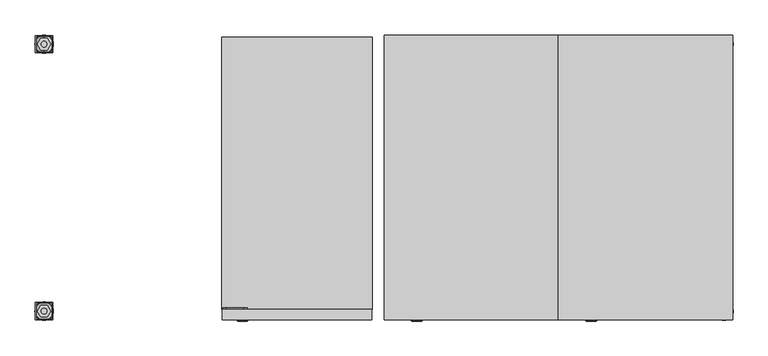
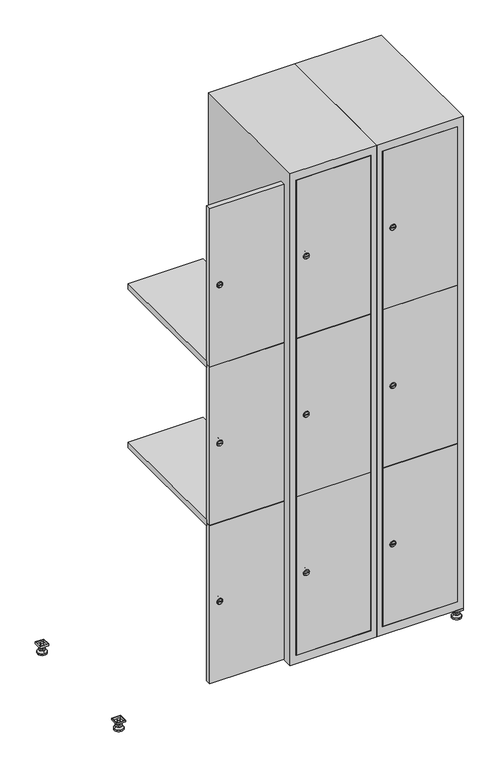
"""IFC4 building model written with IfcOpenShell, lengths in millimetres: furniture geometry."""

from ifc_helpers import new_model, si_unit, point, frame, frame_2d, origin, origin_with_axes, place, context, project, spatial, polyline, circle_curve, trimmed, segment, composite_curve, outline, extrude, faceted_brep, source, transform, mapped, element, save
from ifc_brep_helpers import plane_surface, revolved_surface, advanced_brep


def furniture_516825b2(model_context):
    return source(origin(), model_context, "Body", "SolidModel", [
        extrude(outline(polyline([(1000.0, 245.0), (1000.0, 215.0), (970.0, 215.0), (970.0, 245.0), (1000.0, 245.0)]), holes=[polyline([(998.0, 243.0), (972.0, 243.0), (972.0, 217.0), (998.0, 217.0), (998.0, 243.0)])]), frame((0.0, 0.0, 28.5), z_axis=(0.0, 0.0, 1.0), x_axis=(1.0, 0.0, 0.0)), (0.0, 0.0, 1.0), 6.5),
        extrude(outline(polyline([(970.0, -245.0), (970.0, -215.0), (1000.0, -215.0), (1000.0, -245.0), (970.0, -245.0)]), holes=[polyline([(972.0, -243.0), (998.0, -243.0), (998.0, -217.0), (972.0, -217.0), (972.0, -243.0)])]), frame((0.0, 0.0, 28.5), z_axis=(0.0, 0.0, 1.0), x_axis=(1.0, 0.0, 0.0)), (0.0, 0.0, 1.0), 6.5),
        extrude(outline(polyline([(-170.0, 245.0), (-170.0, 215.0), (-200.0, 215.0), (-200.0, 245.0), (-170.0, 245.0)]), holes=[polyline([(-172.0, 243.0), (-198.0, 243.0), (-198.0, 217.0), (-172.0, 217.0), (-172.0, 243.0)])]), frame((0.0, 0.0, 28.5), z_axis=(0.0, 0.0, 1.0), x_axis=(1.0, 0.0, 0.0)), (0.0, 0.0, 1.0), 6.5),
        extrude(outline(polyline([(-170.0, -215.0), (-170.0, -245.0), (-200.0, -245.0), (-200.0, -215.0), (-170.0, -215.0)]), holes=[polyline([(-198.0, -243.0), (-172.0, -243.0), (-172.0, -217.0), (-198.0, -217.0), (-198.0, -243.0)])]), frame((0.0, 0.0, 28.5), z_axis=(0.0, 0.0, 1.0), x_axis=(1.0, 0.0, 0.0)), (0.0, 0.0, 1.0), 6.5),
        extrude(outline(composite_curve([segment(trimmed(circle_curve(frame_2d((-185.0, 230.0)), 5.0), [point((-180.0, 230.0))], [point((-190.0, 230.0))], False, "CARTESIAN"), True, "CONTINUOUS"), segment(trimmed(circle_curve(frame_2d((-185.0, 230.0)), 5.0), [point((-190.0, 230.0))], [point((-180.0, 230.0))], False, "CARTESIAN"), True, "CONTINUOUS")], self_intersect=False)), frame((0.0, 0.0, 19.6), z_axis=(0.0, 0.0, 1.0), x_axis=(1.0, 0.0, 0.0)), (0.0, 0.0, 1.0), 15.4),
        extrude(outline(composite_curve([segment(trimmed(circle_curve(frame_2d((-185.0, -230.0)), 5.0), [point((-180.0, -230.0))], [point((-190.0, -230.0))], False, "CARTESIAN"), True, "CONTINUOUS"), segment(trimmed(circle_curve(frame_2d((-185.0, -230.0)), 5.0), [point((-190.0, -230.0))], [point((-180.0, -230.0))], False, "CARTESIAN"), True, "CONTINUOUS")], self_intersect=False)), frame((0.0, 0.0, 19.6), z_axis=(0.0, 0.0, 1.0), x_axis=(1.0, 0.0, 0.0)), (0.0, 0.0, 1.0), 15.4),
        extrude(outline(composite_curve([segment(trimmed(circle_curve(frame_2d((985.0, 230.0)), 5.0), [point((990.0, 230.0))], [point((980.0, 230.0))], False, "CARTESIAN"), True, "CONTINUOUS"), segment(trimmed(circle_curve(frame_2d((985.0, 230.0)), 5.0), [point((980.0, 230.0))], [point((990.0, 230.0))], False, "CARTESIAN"), True, "CONTINUOUS")], self_intersect=False)), frame((0.0, 0.0, 19.6), z_axis=(0.0, 0.0, 1.0), x_axis=(1.0, 0.0, 0.0)), (0.0, 0.0, 1.0), 15.4),
        extrude(outline(polyline([(973.4529946, 230.0), (979.2264973, 240.0), (990.7735027, 240.0), (996.5470054, 230.0), (990.7735027, 220.0), (979.2264973, 220.0), (973.4529946, 230.0)])), frame((0.0, 0.0, 13.6), z_axis=(0.0, 0.0, 1.0), x_axis=(1.0, 0.0, 0.0)), (0.0, 0.0, 1.0), 6.0),
        extrude(outline(composite_curve([segment(trimmed(circle_curve(frame_2d((985.0, -230.0)), 5.0), [point((990.0, -230.0))], [point((980.0, -230.0))], False, "CARTESIAN"), True, "CONTINUOUS"), segment(trimmed(circle_curve(frame_2d((985.0, -230.0)), 5.0), [point((980.0, -230.0))], [point((990.0, -230.0))], False, "CARTESIAN"), True, "CONTINUOUS")], self_intersect=False)), frame((0.0, 0.0, 19.6), z_axis=(0.0, 0.0, 1.0), x_axis=(1.0, 0.0, 0.0)), (0.0, 0.0, 1.0), 15.4),
        extrude(outline(polyline([(973.4529946, -230.0), (979.2264973, -220.0), (990.7735027, -220.0), (996.5470054, -230.0), (990.7735027, -240.0), (979.2264973, -240.0), (973.4529946, -230.0)])), frame((0.0, 0.0, 13.6), z_axis=(0.0, 0.0, 1.0), x_axis=(1.0, 0.0, 0.0)), (0.0, 0.0, 1.0), 6.0),
        extrude(outline(composite_curve([segment(trimmed(circle_curve(frame_2d((985.0, 230.0)), 5.0), [point((990.0, 230.0))], [point((980.0, 230.0))], False, "CARTESIAN"), True, "CONTINUOUS"), segment(trimmed(circle_curve(frame_2d((985.0, 230.0)), 5.0), [point((980.0, 230.0))], [point((990.0, 230.0))], False, "CARTESIAN"), True, "CONTINUOUS")], self_intersect=False)), frame((0.0, 0.0, 12.1), z_axis=(0.0, 0.0, 1.0), x_axis=(1.0, 0.0, 0.0)), (0.0, 0.0, 1.0), 1.5),
        extrude(outline(composite_curve([segment(trimmed(circle_curve(frame_2d((985.0, -230.0)), 5.0), [point((990.0, -230.0))], [point((980.0, -230.0))], False, "CARTESIAN"), True, "CONTINUOUS"), segment(trimmed(circle_curve(frame_2d((985.0, -230.0)), 5.0), [point((980.0, -230.0))], [point((990.0, -230.0))], False, "CARTESIAN"), True, "CONTINUOUS")], self_intersect=False)), frame((0.0, 0.0, 12.1), z_axis=(0.0, 0.0, 1.0), x_axis=(1.0, 0.0, 0.0)), (0.0, 0.0, 1.0), 1.5),
        extrude(outline(polyline([(-196.5470054, 230.0), (-190.7735027, 240.0), (-179.2264973, 240.0), (-173.4529946, 230.0), (-179.2264973, 220.0), (-190.7735027, 220.0), (-196.5470054, 230.0)])), frame((0.0, 0.0, 13.6), z_axis=(0.0, 0.0, 1.0), x_axis=(1.0, 0.0, 0.0)), (0.0, 0.0, 1.0), 6.0),
        extrude(outline(polyline([(-196.5470054, -230.0), (-190.7735027, -220.0), (-179.2264973, -220.0), (-173.4529946, -230.0), (-179.2264973, -240.0), (-190.7735027, -240.0), (-196.5470054, -230.0)])), frame((0.0, 0.0, 13.6), z_axis=(0.0, 0.0, 1.0), x_axis=(1.0, 0.0, 0.0)), (0.0, 0.0, 1.0), 6.0),
        extrude(outline(composite_curve([segment(trimmed(circle_curve(frame_2d((-185.0, 230.0)), 5.0), [point((-185.0, 235.0))], [point((-185.0, 225.0))], False, "CARTESIAN"), True, "CONTINUOUS"), segment(trimmed(circle_curve(frame_2d((-185.0, 230.0)), 5.0), [point((-185.0, 225.0))], [point((-185.0, 235.0))], False, "CARTESIAN"), True, "CONTINUOUS")], self_intersect=False)), frame((0.0, 0.0, 12.1), z_axis=(0.0, 0.0, 1.0), x_axis=(1.0, 0.0, 0.0)), (0.0, 0.0, 1.0), 1.5),
        extrude(outline(composite_curve([segment(trimmed(circle_curve(frame_2d((-185.0, -230.0)), 5.0), [point((-180.0, -230.0))], [point((-190.0, -230.0))], False, "CARTESIAN"), True, "CONTINUOUS"), segment(trimmed(circle_curve(frame_2d((-185.0, -230.0)), 5.0), [point((-190.0, -230.0))], [point((-180.0, -230.0))], False, "CARTESIAN"), True, "CONTINUOUS")], self_intersect=False)), frame((0.0, 0.0, 12.1), z_axis=(0.0, 0.0, 1.0), x_axis=(1.0, 0.0, 0.0)), (0.0, 0.0, 1.0), 1.5),
        extrude(outline(composite_curve([segment(trimmed(circle_curve(frame_2d((985.0, 230.0)), 15.75), [point((1000.75, 230.0))], [point((969.25, 230.0))], False, "CARTESIAN"), True, "CONTINUOUS"), segment(trimmed(circle_curve(frame_2d((985.0, 230.0)), 15.75), [point((969.25, 230.0))], [point((1000.75, 230.0))], False, "CARTESIAN"), True, "CONTINUOUS")], self_intersect=False)), origin_with_axes(), (0.0, 0.0, 1.0), 5.1),
        extrude(outline(composite_curve([segment(trimmed(circle_curve(frame_2d((985.0, -230.0)), 15.75), [point((985.0, -214.25))], [point((985.0, -245.75))], False, "CARTESIAN"), True, "CONTINUOUS"), segment(trimmed(circle_curve(frame_2d((985.0, -230.0)), 15.75), [point((985.0, -245.75))], [point((985.0, -214.25))], False, "CARTESIAN"), True, "CONTINUOUS")], self_intersect=False)), origin_with_axes(), (0.0, 0.0, 1.0), 5.1),
        extrude(outline(composite_curve([segment(trimmed(circle_curve(frame_2d((-185.0, -230.0)), 15.75), [point((-169.25, -230.0))], [point((-200.75, -230.0))], False, "CARTESIAN"), True, "CONTINUOUS"), segment(trimmed(circle_curve(frame_2d((-185.0, -230.0)), 15.75), [point((-200.75, -230.0))], [point((-169.25, -230.0))], False, "CARTESIAN"), True, "CONTINUOUS")], self_intersect=False)), origin_with_axes(), (0.0, 0.0, 1.0), 5.1),
        extrude(outline(composite_curve([segment(trimmed(circle_curve(frame_2d((-185.0, 230.0)), 15.75), [point((-169.25, 230.0))], [point((-200.75, 230.0))], False, "CARTESIAN"), True, "CONTINUOUS"), segment(trimmed(circle_curve(frame_2d((-185.0, 230.0)), 15.75), [point((-200.75, 230.0))], [point((-169.25, 230.0))], False, "CARTESIAN"), True, "CONTINUOUS")], self_intersect=False)), origin_with_axes(), (0.0, 0.0, 1.0), 5.1),
        advanced_brep(
        [(-185.0, 245.75, 5.1), (-185.0, 214.25, 5.1), (-185.0, 239.5, 12.1), (-185.0, 220.5, 12.1)],
        [
            (0, 1, circle_curve(frame((-185.0, 230.0, 5.1), z_axis=(0.0, 0.0, -1.0), x_axis=(0.0, 1.0, 0.0)), 15.75)),
            (1, 0, circle_curve(frame((-185.0, 230.0, 5.1), z_axis=(0.0, 0.0, -1.0), x_axis=(0.0, -1.0, 0.0)), 15.75)),
            (2, 3, circle_curve(frame((-185.0, 230.0, 12.1), z_axis=(0.0, 0.0, 1.0), x_axis=(0.0, -1.0, 0.0)), 9.5)),
            (3, 2, circle_curve(frame((-185.0, 230.0, 12.1), z_axis=(0.0, 0.0, 1.0), x_axis=(0.0, 1.0, 0.0)), 9.5)),
            (3, 1),
            (0, 2),
        ],
        [
            plane_surface(frame((-185.0, 230.0, 5.1), z_axis=(0.0, 0.0, -1.0), x_axis=(1.0, 0.0, 0.0))),
            plane_surface(frame((-185.0, 230.0, 12.1), z_axis=(0.0, 0.0, 1.0), x_axis=(1.0, 0.0, 0.0))),
            revolved_surface(polyline([(-185.0, 220.5, 12.099999999999998), (-185.0, 214.25, 5.099999999999998)]), (-185.0, 230.0, 22.74), (0.0, 0.0, -1.0)),
            revolved_surface(polyline([(-185.0, 239.5, 12.099999999999998), (-185.0, 245.75, 5.099999999999998)]), (-185.0, 230.0, 22.74), (0.0, 0.0, -1.0)),
        ],
        [
            (0, [[1, 2]]),
            (1, [[3, 4]]),
            (2, [[-4, 5, -1, 6]]),
            (3, [[-3, -6, -2, -5]]),
        ],
    ),
        advanced_brep(
        [(985.0, 245.75, 5.1), (985.0, 214.25, 5.1), (985.0, 239.5, 12.1), (985.0, 220.5, 12.1)],
        [
            (0, 1, circle_curve(frame((985.0, 230.0, 5.1), z_axis=(0.0, 0.0, -1.0), x_axis=(0.0, 1.0, 0.0)), 15.75)),
            (1, 0, circle_curve(frame((985.0, 230.0, 5.1), z_axis=(0.0, 0.0, -1.0), x_axis=(0.0, -1.0, 0.0)), 15.75)),
            (2, 3, circle_curve(frame((985.0, 230.0, 12.1), z_axis=(0.0, 0.0, 1.0), x_axis=(0.0, -1.0, 0.0)), 9.5)),
            (3, 2, circle_curve(frame((985.0, 230.0, 12.1), z_axis=(0.0, 0.0, 1.0), x_axis=(0.0, 1.0, 0.0)), 9.5)),
            (3, 1),
            (0, 2),
        ],
        [
            plane_surface(frame((985.0, 230.0, 5.1), z_axis=(0.0, 0.0, -1.0), x_axis=(1.0, 0.0, 0.0))),
            plane_surface(frame((985.0, 230.0, 12.1), z_axis=(0.0, 0.0, 1.0), x_axis=(1.0, 0.0, 0.0))),
            revolved_surface(polyline([(985.0, 220.5, 12.099999999999998), (985.0, 214.25, 5.099999999999998)]), (985.0, 230.0, 22.74), (0.0, 0.0, -1.0)),
            revolved_surface(polyline([(985.0, 239.5, 12.099999999999998), (985.0, 245.75, 5.099999999999998)]), (985.0, 230.0, 22.74), (0.0, 0.0, -1.0)),
        ],
        [
            (0, [[1, 2]]),
            (1, [[3, 4]]),
            (2, [[-4, 5, -1, 6]]),
            (3, [[-3, -6, -2, -5]]),
        ],
    ),
        advanced_brep(
        [(994.5, -230.0, 12.1), (975.5, -230.0, 12.1), (1000.75, -230.0, 5.1), (969.25, -230.0, 5.1)],
        [
            (0, 1, circle_curve(frame((985.0, -230.0, 12.1), z_axis=(0.0, 0.0, 1.0), x_axis=(1.0, 0.0, 0.0)), 9.5)),
            (1, 0, circle_curve(frame((985.0, -230.0, 12.1), z_axis=(0.0, 0.0, 1.0), x_axis=(-1.0, 0.0, 0.0)), 9.5)),
            (2, 3, circle_curve(frame((985.0, -230.0, 5.1), z_axis=(0.0, 0.0, -1.0), x_axis=(-1.0, 0.0, 0.0)), 15.75)),
            (3, 2, circle_curve(frame((985.0, -230.0, 5.1), z_axis=(0.0, 0.0, -1.0), x_axis=(1.0, 0.0, 0.0)), 15.75)),
            (3, 1),
            (0, 2),
        ],
        [
            plane_surface(frame((985.0, -230.0, 12.1), z_axis=(0.0, 0.0, 1.0), x_axis=(0.0, 1.0, 0.0))),
            plane_surface(frame((985.0, -230.0, 5.1), z_axis=(0.0, 0.0, -1.0), x_axis=(0.0, 1.0, 0.0))),
            revolved_surface(polyline([(994.5, -230.0, 12.099999999999998), (1000.75, -230.0, 5.099999999999998)]), (985.0, -230.0, 22.74), (0.0, 0.0, -1.0)),
            revolved_surface(polyline([(975.5, -230.0, 12.099999999999998), (969.25, -230.0, 5.099999999999998)]), (985.0, -230.0, 22.74), (0.0, 0.0, -1.0)),
        ],
        [
            (0, [[1, 2]]),
            (1, [[3, 4]]),
            (2, [[-4, 5, -1, 6]]),
            (3, [[-3, -6, -2, -5]]),
        ],
    ),
        advanced_brep(
        [(-175.5, -230.0, 12.1), (-194.5, -230.0, 12.1), (-169.25, -230.0, 5.1), (-200.75, -230.0, 5.1)],
        [
            (0, 1, circle_curve(frame((-185.0, -230.0, 12.1), z_axis=(0.0, 0.0, 1.0), x_axis=(1.0, 0.0, 0.0)), 9.5)),
            (1, 0, circle_curve(frame((-185.0, -230.0, 12.1), z_axis=(0.0, 0.0, 1.0), x_axis=(-1.0, 0.0, 0.0)), 9.5)),
            (2, 3, circle_curve(frame((-185.0, -230.0, 5.1), z_axis=(0.0, 0.0, -1.0), x_axis=(-1.0, 0.0, 0.0)), 15.75)),
            (3, 2, circle_curve(frame((-185.0, -230.0, 5.1), z_axis=(0.0, 0.0, -1.0), x_axis=(1.0, 0.0, 0.0)), 15.75)),
            (3, 1),
            (0, 2),
        ],
        [
            plane_surface(frame((-185.0, -230.0, 12.1), z_axis=(0.0, 0.0, 1.0), x_axis=(0.0, 1.0, 0.0))),
            plane_surface(frame((-185.0, -230.0, 5.1), z_axis=(0.0, 0.0, -1.0), x_axis=(0.0, 1.0, 0.0))),
            revolved_surface(polyline([(-175.5, -230.0, 12.099999999999998), (-169.25, -230.0, 5.099999999999998)]), (-185.0, -230.0, 22.74), (0.0, 0.0, -1.0)),
            revolved_surface(polyline([(-194.5, -230.0, 12.099999999999998), (-200.75, -230.0, 5.099999999999998)]), (-185.0, -230.0, 22.74), (0.0, 0.0, -1.0)),
        ],
        [
            (0, [[1, 2]]),
            (1, [[3, 4]]),
            (2, [[-4, 5, -1, 6]]),
            (3, [[-3, -6, -2, -5]]),
        ],
    ),
        extrude(outline(composite_curve([segment(trimmed(circle_curve(frame_2d((355.8, 729.6010534)), 7.0), [point((362.8, 729.6010534))], [point((348.8, 729.6010534))], False, "CARTESIAN"), True, "CONTINUOUS"), segment(polyline([(348.8, 729.6010534), (348.8, 757.6010534)]), True, "CONTINUOUS"), segment(trimmed(circle_curve(frame_2d((355.8, 757.6010534)), 7.0), [point((348.8, 757.6010534))], [point((362.8, 757.6010534))], False, "CARTESIAN"), True, "CONTINUOUS"), segment(polyline([(362.8, 757.6010534), (362.8, 729.6010534)]), True, "CONTINUOUS")], self_intersect=False)), frame((0.0, -227.0, 0.0), z_axis=(0.0, 1.0, 0.0), x_axis=(0.0, 0.0, 1.0)), (0.0, 0.0, 1.0), 2.0),
        advanced_brep(
        [(764.9, -247.2, 355.8), (747.9, -247.2, 355.8), (751.4, -247.2, 354.55), (751.4, -247.2, 357.05), (761.4, -247.2, 357.05), (761.4, -247.2, 354.55), (766.9, -245.0, 355.8), (745.9, -245.0, 355.8), (751.4, -245.0, 357.05), (751.4, -245.0, 354.55), (761.4, -245.0, 354.55), (761.4, -245.0, 357.05)],
        [
            (0, 1, circle_curve(frame((756.4, -247.2, 355.8), z_axis=(0.0, -1.0, 0.0), x_axis=(1.0, 0.0, 0.0)), 8.5)),
            (1, 0, circle_curve(frame((756.4, -247.2, 355.8), z_axis=(0.0, -1.0, 0.0), x_axis=(-1.0, 0.0, 0.0)), 8.5)),
            (2, 3),
            (3, 4),
            (4, 5),
            (5, 2),
            (6, 7, circle_curve(frame((756.4, -245.0, 355.8), z_axis=(0.0, 1.0, 0.0), x_axis=(-1.0, 0.0, 0.0)), 10.5)),
            (7, 6, circle_curve(frame((756.4, -245.0, 355.8), z_axis=(0.0, 1.0, 0.0), x_axis=(1.0, 0.0, 0.0)), 10.5)),
            (8, 9),
            (9, 10),
            (10, 11),
            (11, 8),
            (0, 6),
            (7, 1),
            (8, 3),
            (2, 9),
            (11, 4),
            (10, 5),
        ],
        [
            plane_surface(frame((756.4, -247.2, 355.8), z_axis=(0.0, -1.0, 0.0), x_axis=(0.0, 0.0, 1.0))),
            plane_surface(frame((756.4, -245.0, 355.8), z_axis=(0.0, 1.0, 0.0), x_axis=(0.0, 0.0, 1.0))),
            revolved_surface(polyline([(764.9, -247.2, 355.8), (766.9, -245.0, 355.8)]), (756.4, -256.55, 355.8), (0.0, 1.0, 0.0)),
            revolved_surface(polyline([(747.9, -247.2, 355.8), (745.9, -245.0, 355.8)]), (756.4, -256.55, 355.8), (0.0, 1.0, 0.0)),
            plane_surface(frame((751.4, -245.0, 354.55), z_axis=(1.0, 0.0, 0.0), x_axis=(0.0, -1.0, 0.0))),
            plane_surface(frame((751.4, -245.0, 357.05), z_axis=(0.0, 0.0, -1.0), x_axis=(0.0, -1.0, 0.0))),
            plane_surface(frame((761.4, -245.0, 357.05), z_axis=(-1.0, 0.0, 0.0), x_axis=(0.0, -1.0, 0.0))),
            plane_surface(frame((761.4, -245.0, 354.55), z_axis=(0.0, 0.0, 1.0), x_axis=(0.0, -1.0, 0.0))),
        ],
        [
            (0, [[1, 2], [3, 4, 5, 6]]),
            (1, [[7, 8], [9, 10, 11, 12]]),
            (2, [[-1, 13, -8, 14]]),
            (3, [[-2, -14, -7, -13]]),
            (4, [[15, -3, 16, -9]]),
            (5, [[-15, -12, 17, -4]]),
            (6, [[-17, -11, 18, -5]]),
            (7, [[-16, -6, -18, -10]]),
        ],
    ),
        extrude(outline(composite_curve([segment(trimmed(circle_curve(frame_2d((935.0, 729.6010534)), 7.0), [point((942.0, 729.6010534))], [point((928.0, 729.6010534))], False, "CARTESIAN"), True, "CONTINUOUS"), segment(polyline([(928.0, 729.6010534), (928.0, 757.6010534)]), True, "CONTINUOUS"), segment(trimmed(circle_curve(frame_2d((935.0, 757.6010534)), 7.0), [point((928.0, 757.6010534))], [point((942.0, 757.6010534))], False, "CARTESIAN"), True, "CONTINUOUS"), segment(polyline([(942.0, 757.6010534), (942.0, 729.6010534)]), True, "CONTINUOUS")], self_intersect=False)), frame((0.0, -227.0, 0.0), z_axis=(0.0, 1.0, 0.0), x_axis=(0.0, 0.0, 1.0)), (0.0, 0.0, 1.0), 2.0),
        advanced_brep(
        [(764.9, -247.2, 935.0), (747.9, -247.2, 935.0), (751.4, -247.2, 933.75), (751.4, -247.2, 936.25), (761.4, -247.2, 936.25), (761.4, -247.2, 933.75), (766.9, -245.0, 935.0), (745.9, -245.0, 935.0), (751.4, -245.0, 936.25), (751.4, -245.0, 933.75), (761.4, -245.0, 933.75), (761.4, -245.0, 936.25)],
        [
            (0, 1, circle_curve(frame((756.4, -247.2, 935.0), z_axis=(0.0, -1.0, 0.0), x_axis=(1.0, 0.0, 0.0)), 8.5)),
            (1, 0, circle_curve(frame((756.4, -247.2, 935.0), z_axis=(0.0, -1.0, 0.0), x_axis=(-1.0, 0.0, 0.0)), 8.5)),
            (2, 3),
            (3, 4),
            (4, 5),
            (5, 2),
            (6, 7, circle_curve(frame((756.4, -245.0, 935.0), z_axis=(0.0, 1.0, 0.0), x_axis=(-1.0, 0.0, 0.0)), 10.5)),
            (7, 6, circle_curve(frame((756.4, -245.0, 935.0), z_axis=(0.0, 1.0, 0.0), x_axis=(1.0, 0.0, 0.0)), 10.5)),
            (8, 9),
            (9, 10),
            (10, 11),
            (11, 8),
            (0, 6),
            (7, 1),
            (8, 3),
            (2, 9),
            (11, 4),
            (10, 5),
        ],
        [
            plane_surface(frame((756.4, -247.2, 935.0), z_axis=(0.0, -1.0, 0.0), x_axis=(0.0, 0.0, 1.0))),
            plane_surface(frame((756.4, -245.0, 935.0), z_axis=(0.0, 1.0, 0.0), x_axis=(0.0, 0.0, 1.0))),
            revolved_surface(polyline([(764.9, -247.2, 935.0), (766.9, -245.0, 935.0)]), (756.4, -256.55, 935.0), (0.0, 1.0, 0.0)),
            revolved_surface(polyline([(747.9, -247.2, 935.0), (745.9, -245.0, 935.0)]), (756.4, -256.55, 935.0), (0.0, 1.0, 0.0)),
            plane_surface(frame((751.4, -245.0, 933.75), z_axis=(1.0, 0.0, 0.0), x_axis=(0.0, -1.0, 0.0))),
            plane_surface(frame((751.4, -245.0, 936.25), z_axis=(0.0, 0.0, -1.0), x_axis=(0.0, -1.0, 0.0))),
            plane_surface(frame((761.4, -245.0, 936.25), z_axis=(-1.0, 0.0, 0.0), x_axis=(0.0, -1.0, 0.0))),
            plane_surface(frame((761.4, -245.0, 933.75), z_axis=(0.0, 0.0, 1.0), x_axis=(0.0, -1.0, 0.0))),
        ],
        [
            (0, [[1, 2], [3, 4, 5, 6]]),
            (1, [[7, 8], [9, 10, 11, 12]]),
            (2, [[-1, 13, -8, 14]]),
            (3, [[-2, -14, -7, -13]]),
            (4, [[15, -3, 16, -9]]),
            (5, [[-15, -12, 17, -4]]),
            (6, [[-17, -11, 18, -5]]),
            (7, [[-16, -6, -18, -10]]),
        ],
    ),
        extrude(outline(composite_curve([segment(trimmed(circle_curve(frame_2d((1514.2, 729.6010534)), 7.0), [point((1521.2, 729.6010534))], [point((1507.2, 729.6010534))], False, "CARTESIAN"), True, "CONTINUOUS"), segment(polyline([(1507.2, 729.6010534), (1507.2, 757.6010534)]), True, "CONTINUOUS"), segment(trimmed(circle_curve(frame_2d((1514.2, 757.6010534)), 7.0), [point((1507.2, 757.6010534))], [point((1521.2, 757.6010534))], False, "CARTESIAN"), True, "CONTINUOUS"), segment(polyline([(1521.2, 757.6010534), (1521.2, 729.6010534)]), True, "CONTINUOUS")], self_intersect=False)), frame((0.0, -227.0, 0.0), z_axis=(0.0, 1.0, 0.0), x_axis=(0.0, 0.0, 1.0)), (0.0, 0.0, 1.0), 2.0),
        advanced_brep(
        [(764.9, -247.2, 1514.2), (747.9, -247.2, 1514.2), (751.4, -247.2, 1512.95), (751.4, -247.2, 1515.45), (761.4, -247.2, 1515.45), (761.4, -247.2, 1512.95), (766.9, -245.0, 1514.2), (745.9, -245.0, 1514.2), (751.4, -245.0, 1515.45), (751.4, -245.0, 1512.95), (761.4, -245.0, 1512.95), (761.4, -245.0, 1515.45)],
        [
            (0, 1, circle_curve(frame((756.4, -247.2, 1514.2), z_axis=(0.0, -1.0, 0.0), x_axis=(1.0, 0.0, 0.0)), 8.5)),
            (1, 0, circle_curve(frame((756.4, -247.2, 1514.2), z_axis=(0.0, -1.0, 0.0), x_axis=(-1.0, 0.0, 0.0)), 8.5)),
            (2, 3),
            (3, 4),
            (4, 5),
            (5, 2),
            (6, 7, circle_curve(frame((756.4, -245.0, 1514.2), z_axis=(0.0, 1.0, 0.0), x_axis=(-1.0, 0.0, 0.0)), 10.5)),
            (7, 6, circle_curve(frame((756.4, -245.0, 1514.2), z_axis=(0.0, 1.0, 0.0), x_axis=(1.0, 0.0, 0.0)), 10.5)),
            (8, 9),
            (9, 10),
            (10, 11),
            (11, 8),
            (0, 6),
            (7, 1),
            (8, 3),
            (2, 9),
            (11, 4),
            (10, 5),
        ],
        [
            plane_surface(frame((756.4, -247.2, 1514.2), z_axis=(0.0, -1.0, 0.0), x_axis=(0.0, 0.0, 1.0))),
            plane_surface(frame((756.4, -245.0, 1514.2), z_axis=(0.0, 1.0, 0.0), x_axis=(0.0, 0.0, 1.0))),
            revolved_surface(polyline([(764.9, -247.2, 1514.2), (766.9, -245.0, 1514.2)]), (756.4, -256.55, 1514.2), (0.0, 1.0, 0.0)),
            revolved_surface(polyline([(747.9, -247.2, 1514.2), (745.9, -245.0, 1514.2)]), (756.4, -256.55, 1514.2), (0.0, 1.0, 0.0)),
            plane_surface(frame((751.4, -245.0, 1512.95), z_axis=(1.0, 0.0, 0.0), x_axis=(0.0, -1.0, 0.0))),
            plane_surface(frame((751.4, -245.0, 1515.45), z_axis=(0.0, 0.0, -1.0), x_axis=(0.0, -1.0, 0.0))),
            plane_surface(frame((761.4, -245.0, 1515.45), z_axis=(-1.0, 0.0, 0.0), x_axis=(0.0, -1.0, 0.0))),
            plane_surface(frame((761.4, -245.0, 1512.95), z_axis=(0.0, 0.0, 1.0), x_axis=(0.0, -1.0, 0.0))),
        ],
        [
            (0, [[1, 2], [3, 4, 5, 6]]),
            (1, [[7, 8], [9, 10, 11, 12]]),
            (2, [[-1, 13, -8, 14]]),
            (3, [[-2, -14, -7, -13]]),
            (4, [[15, -3, 16, -9]]),
            (5, [[-15, -12, 17, -4]]),
            (6, [[-17, -11, 18, -5]]),
            (7, [[-16, -6, -18, -10]]),
        ],
    ),
        extrude(outline(polyline([(978.6, -227.0), (978.6, -245.0), (721.4, -245.0), (721.4, -227.0), (978.6, -227.0)])), frame((0.0, 0.0, 645.9), z_axis=(0.0, 0.0, 1.0), x_axis=(1.0, 0.0, 0.0)), (0.0, 0.0, 1.0), 578.2),
        extrude(outline(polyline([(721.4, -245.0), (721.4, -227.0), (978.6, -227.0), (978.6, -245.0), (721.4, -245.0)])), frame((0.0, 0.0, 1225.1), z_axis=(0.0, 0.0, 1.0), x_axis=(1.0, 0.0, 0.0)), (0.0, 0.0, 1.0), 578.7),
        extrude(outline(polyline([(978.6, -227.0), (978.6, -245.0), (721.4, -245.0), (721.4, -227.0), (978.6, -227.0)])), frame((0.0, 0.0, 66.2), z_axis=(0.0, 0.0, 1.0), x_axis=(1.0, 0.0, 0.0)), (0.0, 0.0, 1.0), 578.7),
        extrude(outline(polyline([(979.6, 242.0), (979.6, -227.0), (720.4, -227.0), (720.4, 242.0), (979.6, 242.0)])), frame((0.0, 0.0, 1214.7333333), z_axis=(0.0, 0.0, 1.0), x_axis=(1.0, 0.0, 0.0)), (0.0, 0.0, 1.0), 20.4),
        extrude(outline(polyline([(720.4, 242.0), (979.6, 242.0), (979.6, -227.0), (720.4, -227.0), (720.4, 242.0)])), frame((0.0, 0.0, 634.8666667), z_axis=(0.0, 0.0, 1.0), x_axis=(1.0, 0.0, 0.0)), (0.0, 0.0, 1.0), 20.4),
        faceted_brep([(1000.0, -245.0, 35.0), (1000.0, -245.0, 1835.0), (700.0, -245.0, 1835.0), (700.0, -245.0, 35.0), (979.6, -245.0, 1804.8), (979.6, -245.0, 65.2), (720.4, -245.0, 65.2), (720.4, -245.0, 1804.8), (1000.0, 245.0, 35.0), (700.0, 245.0, 35.0), (1000.0, 245.0, 1835.0), (700.0, 245.0, 1835.0), (979.6, 242.0, 1804.8), (979.6, 242.0, 65.2), (700.0, 245.0, 1804.8), (720.4, 242.0, 1804.8), (720.4, 242.0, 65.2)], [[[0, 1, 2, 3], [4, 5, 6, 7]], [[8, 0, 3, 9]], [[1, 0, 8, 10]], [[1, 10, 11, 2]], [[4, 12, 13, 5]], [[9, 3, 2, 11, 14]], [[10, 8, 9, 14, 11]], [[12, 15, 16, 13]], [[15, 7, 6, 16]], [[4, 7, 15, 12]], [[6, 5, 13, 16]]]),
        extrude(outline(composite_curve([segment(trimmed(circle_curve(frame_2d((355.8, 429.6010534)), 7.0), [point((362.8, 429.6010534))], [point((348.8, 429.6010534))], False, "CARTESIAN"), True, "CONTINUOUS"), segment(polyline([(348.8, 429.6010534), (348.8, 457.6010534)]), True, "CONTINUOUS"), segment(trimmed(circle_curve(frame_2d((355.8, 457.6010534)), 7.0), [point((348.8, 457.6010534))], [point((362.8, 457.6010534))], False, "CARTESIAN"), True, "CONTINUOUS"), segment(polyline([(362.8, 457.6010534), (362.8, 429.6010534)]), True, "CONTINUOUS")], self_intersect=False)), frame((0.0, -227.0, 0.0), z_axis=(0.0, 1.0, 0.0), x_axis=(0.0, 0.0, 1.0)), (0.0, 0.0, 1.0), 2.0),
        advanced_brep(
        [(464.9, -247.2, 355.8), (447.9, -247.2, 355.8), (451.4, -247.2, 354.55), (451.4, -247.2, 357.05), (461.4, -247.2, 357.05), (461.4, -247.2, 354.55), (466.9, -245.0, 355.8), (445.9, -245.0, 355.8), (451.4, -245.0, 357.05), (451.4, -245.0, 354.55), (461.4, -245.0, 354.55), (461.4, -245.0, 357.05)],
        [
            (0, 1, circle_curve(frame((456.4, -247.2, 355.8), z_axis=(0.0, -1.0, 0.0), x_axis=(1.0, 0.0, 0.0)), 8.5)),
            (1, 0, circle_curve(frame((456.4, -247.2, 355.8), z_axis=(0.0, -1.0, 0.0), x_axis=(-1.0, 0.0, 0.0)), 8.5)),
            (2, 3),
            (3, 4),
            (4, 5),
            (5, 2),
            (6, 7, circle_curve(frame((456.4, -245.0, 355.8), z_axis=(0.0, 1.0, 0.0), x_axis=(-1.0, 0.0, 0.0)), 10.5)),
            (7, 6, circle_curve(frame((456.4, -245.0, 355.8), z_axis=(0.0, 1.0, 0.0), x_axis=(1.0, 0.0, 0.0)), 10.5)),
            (8, 9),
            (9, 10),
            (10, 11),
            (11, 8),
            (0, 6),
            (7, 1),
            (8, 3),
            (2, 9),
            (11, 4),
            (10, 5),
        ],
        [
            plane_surface(frame((456.4, -247.2, 355.8), z_axis=(0.0, -1.0, 0.0), x_axis=(0.0, 0.0, 1.0))),
            plane_surface(frame((456.4, -245.0, 355.8), z_axis=(0.0, 1.0, 0.0), x_axis=(0.0, 0.0, 1.0))),
            revolved_surface(polyline([(464.9, -247.2, 355.8), (466.9, -245.0, 355.8)]), (456.4, -256.55, 355.8), (0.0, 1.0, 0.0)),
            revolved_surface(polyline([(447.9, -247.2, 355.8), (445.9, -245.0, 355.8)]), (456.4, -256.55, 355.8), (0.0, 1.0, 0.0)),
            plane_surface(frame((451.4, -245.0, 354.55), z_axis=(1.0, 0.0, 0.0), x_axis=(0.0, -1.0, 0.0))),
            plane_surface(frame((451.4, -245.0, 357.05), z_axis=(0.0, 0.0, -1.0), x_axis=(0.0, -1.0, 0.0))),
            plane_surface(frame((461.4, -245.0, 357.05), z_axis=(-1.0, 0.0, 0.0), x_axis=(0.0, -1.0, 0.0))),
            plane_surface(frame((461.4, -245.0, 354.55), z_axis=(0.0, 0.0, 1.0), x_axis=(0.0, -1.0, 0.0))),
        ],
        [
            (0, [[1, 2], [3, 4, 5, 6]]),
            (1, [[7, 8], [9, 10, 11, 12]]),
            (2, [[-1, 13, -8, 14]]),
            (3, [[-2, -14, -7, -13]]),
            (4, [[15, -3, 16, -9]]),
            (5, [[-15, -12, 17, -4]]),
            (6, [[-17, -11, 18, -5]]),
            (7, [[-16, -6, -18, -10]]),
        ],
    ),
        extrude(outline(composite_curve([segment(trimmed(circle_curve(frame_2d((935.0, 429.6010534)), 7.0), [point((942.0, 429.6010534))], [point((928.0, 429.6010534))], False, "CARTESIAN"), True, "CONTINUOUS"), segment(polyline([(928.0, 429.6010534), (928.0, 457.6010534)]), True, "CONTINUOUS"), segment(trimmed(circle_curve(frame_2d((935.0, 457.6010534)), 7.0), [point((928.0, 457.6010534))], [point((942.0, 457.6010534))], False, "CARTESIAN"), True, "CONTINUOUS"), segment(polyline([(942.0, 457.6010534), (942.0, 429.6010534)]), True, "CONTINUOUS")], self_intersect=False)), frame((0.0, -227.0, 0.0), z_axis=(0.0, 1.0, 0.0), x_axis=(0.0, 0.0, 1.0)), (0.0, 0.0, 1.0), 2.0),
        advanced_brep(
        [(464.9, -247.2, 935.0), (447.9, -247.2, 935.0), (451.4, -247.2, 933.75), (451.4, -247.2, 936.25), (461.4, -247.2, 936.25), (461.4, -247.2, 933.75), (466.9, -245.0, 935.0), (445.9, -245.0, 935.0), (451.4, -245.0, 936.25), (451.4, -245.0, 933.75), (461.4, -245.0, 933.75), (461.4, -245.0, 936.25)],
        [
            (0, 1, circle_curve(frame((456.4, -247.2, 935.0), z_axis=(0.0, -1.0, 0.0), x_axis=(1.0, 0.0, 0.0)), 8.5)),
            (1, 0, circle_curve(frame((456.4, -247.2, 935.0), z_axis=(0.0, -1.0, 0.0), x_axis=(-1.0, 0.0, 0.0)), 8.5)),
            (2, 3),
            (3, 4),
            (4, 5),
            (5, 2),
            (6, 7, circle_curve(frame((456.4, -245.0, 935.0), z_axis=(0.0, 1.0, 0.0), x_axis=(-1.0, 0.0, 0.0)), 10.5)),
            (7, 6, circle_curve(frame((456.4, -245.0, 935.0), z_axis=(0.0, 1.0, 0.0), x_axis=(1.0, 0.0, 0.0)), 10.5)),
            (8, 9),
            (9, 10),
            (10, 11),
            (11, 8),
            (0, 6),
            (7, 1),
            (8, 3),
            (2, 9),
            (11, 4),
            (10, 5),
        ],
        [
            plane_surface(frame((456.4, -247.2, 935.0), z_axis=(0.0, -1.0, 0.0), x_axis=(0.0, 0.0, 1.0))),
            plane_surface(frame((456.4, -245.0, 935.0), z_axis=(0.0, 1.0, 0.0), x_axis=(0.0, 0.0, 1.0))),
            revolved_surface(polyline([(464.9, -247.2, 935.0), (466.9, -245.0, 935.0)]), (456.4, -256.55, 935.0), (0.0, 1.0, 0.0)),
            revolved_surface(polyline([(447.9, -247.2, 935.0), (445.9, -245.0, 935.0)]), (456.4, -256.55, 935.0), (0.0, 1.0, 0.0)),
            plane_surface(frame((451.4, -245.0, 933.75), z_axis=(1.0, 0.0, 0.0), x_axis=(0.0, -1.0, 0.0))),
            plane_surface(frame((451.4, -245.0, 936.25), z_axis=(0.0, 0.0, -1.0), x_axis=(0.0, -1.0, 0.0))),
            plane_surface(frame((461.4, -245.0, 936.25), z_axis=(-1.0, 0.0, 0.0), x_axis=(0.0, -1.0, 0.0))),
            plane_surface(frame((461.4, -245.0, 933.75), z_axis=(0.0, 0.0, 1.0), x_axis=(0.0, -1.0, 0.0))),
        ],
        [
            (0, [[1, 2], [3, 4, 5, 6]]),
            (1, [[7, 8], [9, 10, 11, 12]]),
            (2, [[-1, 13, -8, 14]]),
            (3, [[-2, -14, -7, -13]]),
            (4, [[15, -3, 16, -9]]),
            (5, [[-15, -12, 17, -4]]),
            (6, [[-17, -11, 18, -5]]),
            (7, [[-16, -6, -18, -10]]),
        ],
    ),
        extrude(outline(composite_curve([segment(trimmed(circle_curve(frame_2d((1514.2, 429.6010534)), 7.0), [point((1521.2, 429.6010534))], [point((1507.2, 429.6010534))], False, "CARTESIAN"), True, "CONTINUOUS"), segment(polyline([(1507.2, 429.6010534), (1507.2, 457.6010534)]), True, "CONTINUOUS"), segment(trimmed(circle_curve(frame_2d((1514.2, 457.6010534)), 7.0), [point((1507.2, 457.6010534))], [point((1521.2, 457.6010534))], False, "CARTESIAN"), True, "CONTINUOUS"), segment(polyline([(1521.2, 457.6010534), (1521.2, 429.6010534)]), True, "CONTINUOUS")], self_intersect=False)), frame((0.0, -227.0, 0.0), z_axis=(0.0, 1.0, 0.0), x_axis=(0.0, 0.0, 1.0)), (0.0, 0.0, 1.0), 2.0),
        advanced_brep(
        [(464.9, -247.2, 1514.2), (447.9, -247.2, 1514.2), (451.4, -247.2, 1512.95), (451.4, -247.2, 1515.45), (461.4, -247.2, 1515.45), (461.4, -247.2, 1512.95), (466.9, -245.0, 1514.2), (445.9, -245.0, 1514.2), (451.4, -245.0, 1515.45), (451.4, -245.0, 1512.95), (461.4, -245.0, 1512.95), (461.4, -245.0, 1515.45)],
        [
            (0, 1, circle_curve(frame((456.4, -247.2, 1514.2), z_axis=(0.0, -1.0, 0.0), x_axis=(1.0, 0.0, 0.0)), 8.5)),
            (1, 0, circle_curve(frame((456.4, -247.2, 1514.2), z_axis=(0.0, -1.0, 0.0), x_axis=(-1.0, 0.0, 0.0)), 8.5)),
            (2, 3),
            (3, 4),
            (4, 5),
            (5, 2),
            (6, 7, circle_curve(frame((456.4, -245.0, 1514.2), z_axis=(0.0, 1.0, 0.0), x_axis=(-1.0, 0.0, 0.0)), 10.5)),
            (7, 6, circle_curve(frame((456.4, -245.0, 1514.2), z_axis=(0.0, 1.0, 0.0), x_axis=(1.0, 0.0, 0.0)), 10.5)),
            (8, 9),
            (9, 10),
            (10, 11),
            (11, 8),
            (0, 6),
            (7, 1),
            (8, 3),
            (2, 9),
            (11, 4),
            (10, 5),
        ],
        [
            plane_surface(frame((456.4, -247.2, 1514.2), z_axis=(0.0, -1.0, 0.0), x_axis=(0.0, 0.0, 1.0))),
            plane_surface(frame((456.4, -245.0, 1514.2), z_axis=(0.0, 1.0, 0.0), x_axis=(0.0, 0.0, 1.0))),
            revolved_surface(polyline([(464.9, -247.2, 1514.2), (466.9, -245.0, 1514.2)]), (456.4, -256.55, 1514.2), (0.0, 1.0, 0.0)),
            revolved_surface(polyline([(447.9, -247.2, 1514.2), (445.9, -245.0, 1514.2)]), (456.4, -256.55, 1514.2), (0.0, 1.0, 0.0)),
            plane_surface(frame((451.4, -245.0, 1512.95), z_axis=(1.0, 0.0, 0.0), x_axis=(0.0, -1.0, 0.0))),
            plane_surface(frame((451.4, -245.0, 1515.45), z_axis=(0.0, 0.0, -1.0), x_axis=(0.0, -1.0, 0.0))),
            plane_surface(frame((461.4, -245.0, 1515.45), z_axis=(-1.0, 0.0, 0.0), x_axis=(0.0, -1.0, 0.0))),
            plane_surface(frame((461.4, -245.0, 1512.95), z_axis=(0.0, 0.0, 1.0), x_axis=(0.0, -1.0, 0.0))),
        ],
        [
            (0, [[1, 2], [3, 4, 5, 6]]),
            (1, [[7, 8], [9, 10, 11, 12]]),
            (2, [[-1, 13, -8, 14]]),
            (3, [[-2, -14, -7, -13]]),
            (4, [[15, -3, 16, -9]]),
            (5, [[-15, -12, 17, -4]]),
            (6, [[-17, -11, 18, -5]]),
            (7, [[-16, -6, -18, -10]]),
        ],
    ),
        extrude(outline(polyline([(678.6, -227.0), (678.6, -245.0), (421.4, -245.0), (421.4, -227.0), (678.6, -227.0)])), frame((0.0, 0.0, 645.9), z_axis=(0.0, 0.0, 1.0), x_axis=(1.0, 0.0, 0.0)), (0.0, 0.0, 1.0), 578.2),
        extrude(outline(polyline([(421.4, -245.0), (421.4, -227.0), (678.6, -227.0), (678.6, -245.0), (421.4, -245.0)])), frame((0.0, 0.0, 1225.1), z_axis=(0.0, 0.0, 1.0), x_axis=(1.0, 0.0, 0.0)), (0.0, 0.0, 1.0), 578.7),
        extrude(outline(polyline([(678.6, -227.0), (678.6, -245.0), (421.4, -245.0), (421.4, -227.0), (678.6, -227.0)])), frame((0.0, 0.0, 66.2), z_axis=(0.0, 0.0, 1.0), x_axis=(1.0, 0.0, 0.0)), (0.0, 0.0, 1.0), 578.7),
        extrude(outline(polyline([(679.6, 242.0), (679.6, -227.0), (420.4, -227.0), (420.4, 242.0), (679.6, 242.0)])), frame((0.0, 0.0, 1214.7333333), z_axis=(0.0, 0.0, 1.0), x_axis=(1.0, 0.0, 0.0)), (0.0, 0.0, 1.0), 20.4),
        extrude(outline(polyline([(420.4, 242.0), (679.6, 242.0), (679.6, -227.0), (420.4, -227.0), (420.4, 242.0)])), frame((0.0, 0.0, 634.8666667), z_axis=(0.0, 0.0, 1.0), x_axis=(1.0, 0.0, 0.0)), (0.0, 0.0, 1.0), 20.4),
        faceted_brep([(700.0, -245.0, 35.0), (700.0, -245.0, 1835.0), (400.0, -245.0, 1835.0), (400.0, -245.0, 35.0), (679.6, -245.0, 1804.8), (679.6, -245.0, 65.2), (420.4, -245.0, 65.2), (420.4, -245.0, 1804.8), (700.0, 245.0, 35.0), (400.0, 245.0, 35.0), (700.0, 245.0, 1835.0), (400.0, 245.0, 1835.0), (679.6, 242.0, 1804.8), (679.6, 242.0, 65.2), (400.0, 245.0, 1804.8), (420.4, 242.0, 1804.8), (420.4, 242.0, 65.2)], [[[0, 1, 2, 3], [4, 5, 6, 7]], [[8, 0, 3, 9]], [[1, 0, 8, 10]], [[1, 10, 11, 2]], [[4, 12, 13, 5]], [[9, 3, 2, 11, 14]], [[10, 8, 9, 14, 11]], [[12, 15, 16, 13]], [[15, 7, 6, 16]], [[4, 7, 15, 12]], [[6, 5, 13, 16]]]),
        extrude(outline(composite_curve([segment(trimmed(circle_curve(frame_2d((355.8, 129.6010534)), 7.0), [point((362.8, 129.6010534))], [point((348.8, 129.6010534))], False, "CARTESIAN"), True, "CONTINUOUS"), segment(polyline([(348.8, 129.6010534), (348.8, 157.6010534)]), True, "CONTINUOUS"), segment(trimmed(circle_curve(frame_2d((355.8, 157.6010534)), 7.0), [point((348.8, 157.6010534))], [point((362.8, 157.6010534))], False, "CARTESIAN"), True, "CONTINUOUS"), segment(polyline([(362.8, 157.6010534), (362.8, 129.6010534)]), True, "CONTINUOUS")], self_intersect=False)), frame((0.0, -227.0, 0.0), z_axis=(0.0, 1.0, 0.0), x_axis=(0.0, 0.0, 1.0)), (0.0, 0.0, 1.0), 2.0),
        advanced_brep(
        [(164.9, -247.2, 355.8), (147.9, -247.2, 355.8), (151.4, -247.2, 354.55), (151.4, -247.2, 357.05), (161.4, -247.2, 357.05), (161.4, -247.2, 354.55), (166.9, -245.0, 355.8), (145.9, -245.0, 355.8), (151.4, -245.0, 357.05), (151.4, -245.0, 354.55), (161.4, -245.0, 354.55), (161.4, -245.0, 357.05)],
        [
            (0, 1, circle_curve(frame((156.4, -247.2, 355.8), z_axis=(0.0, -1.0, 0.0), x_axis=(1.0, 0.0, 0.0)), 8.5)),
            (1, 0, circle_curve(frame((156.4, -247.2, 355.8), z_axis=(0.0, -1.0, 0.0), x_axis=(-1.0, 0.0, 0.0)), 8.5)),
            (2, 3),
            (3, 4),
            (4, 5),
            (5, 2),
            (6, 7, circle_curve(frame((156.4, -245.0, 355.8), z_axis=(0.0, 1.0, 0.0), x_axis=(-1.0, 0.0, 0.0)), 10.5)),
            (7, 6, circle_curve(frame((156.4, -245.0, 355.8), z_axis=(0.0, 1.0, 0.0), x_axis=(1.0, 0.0, 0.0)), 10.5)),
            (8, 9),
            (9, 10),
            (10, 11),
            (11, 8),
            (0, 6),
            (7, 1),
            (8, 3),
            (2, 9),
            (11, 4),
            (10, 5),
        ],
        [
            plane_surface(frame((156.4, -247.2, 355.8), z_axis=(0.0, -1.0, 0.0), x_axis=(0.0, 0.0, 1.0))),
            plane_surface(frame((156.4, -245.0, 355.8), z_axis=(0.0, 1.0, 0.0), x_axis=(0.0, 0.0, 1.0))),
            revolved_surface(polyline([(164.9, -247.2, 355.8), (166.9, -245.0, 355.8)]), (156.4, -256.55, 355.8), (0.0, 1.0, 0.0)),
            revolved_surface(polyline([(147.9, -247.2, 355.8), (145.9, -245.0, 355.8)]), (156.4, -256.55, 355.8), (0.0, 1.0, 0.0)),
            plane_surface(frame((151.4, -245.0, 354.55), z_axis=(1.0, 0.0, 0.0), x_axis=(0.0, -1.0, 0.0))),
            plane_surface(frame((151.4, -245.0, 357.05), z_axis=(0.0, 0.0, -1.0), x_axis=(0.0, -1.0, 0.0))),
            plane_surface(frame((161.4, -245.0, 357.05), z_axis=(-1.0, 0.0, 0.0), x_axis=(0.0, -1.0, 0.0))),
            plane_surface(frame((161.4, -245.0, 354.55), z_axis=(0.0, 0.0, 1.0), x_axis=(0.0, -1.0, 0.0))),
        ],
        [
            (0, [[1, 2], [3, 4, 5, 6]]),
            (1, [[7, 8], [9, 10, 11, 12]]),
            (2, [[-1, 13, -8, 14]]),
            (3, [[-2, -14, -7, -13]]),
            (4, [[15, -3, 16, -9]]),
            (5, [[-15, -12, 17, -4]]),
            (6, [[-17, -11, 18, -5]]),
            (7, [[-16, -6, -18, -10]]),
        ],
    ),
        extrude(outline(composite_curve([segment(trimmed(circle_curve(frame_2d((935.0, 129.6010534)), 7.0), [point((942.0, 129.6010534))], [point((928.0, 129.6010534))], False, "CARTESIAN"), True, "CONTINUOUS"), segment(polyline([(928.0, 129.6010534), (928.0, 157.6010534)]), True, "CONTINUOUS"), segment(trimmed(circle_curve(frame_2d((935.0, 157.6010534)), 7.0), [point((928.0, 157.6010534))], [point((942.0, 157.6010534))], False, "CARTESIAN"), True, "CONTINUOUS"), segment(polyline([(942.0, 157.6010534), (942.0, 129.6010534)]), True, "CONTINUOUS")], self_intersect=False)), frame((0.0, -227.0, 0.0), z_axis=(0.0, 1.0, 0.0), x_axis=(0.0, 0.0, 1.0)), (0.0, 0.0, 1.0), 2.0),
        advanced_brep(
        [(164.9, -247.2, 935.0), (147.9, -247.2, 935.0), (151.4, -247.2, 933.75), (151.4, -247.2, 936.25), (161.4, -247.2, 936.25), (161.4, -247.2, 933.75), (166.9, -245.0, 935.0), (145.9, -245.0, 935.0), (151.4, -245.0, 936.25), (151.4, -245.0, 933.75), (161.4, -245.0, 933.75), (161.4, -245.0, 936.25)],
        [
            (0, 1, circle_curve(frame((156.4, -247.2, 935.0), z_axis=(0.0, -1.0, 0.0), x_axis=(1.0, 0.0, 0.0)), 8.5)),
            (1, 0, circle_curve(frame((156.4, -247.2, 935.0), z_axis=(0.0, -1.0, 0.0), x_axis=(-1.0, 0.0, 0.0)), 8.5)),
            (2, 3),
            (3, 4),
            (4, 5),
            (5, 2),
            (6, 7, circle_curve(frame((156.4, -245.0, 935.0), z_axis=(0.0, 1.0, 0.0), x_axis=(-1.0, 0.0, 0.0)), 10.5)),
            (7, 6, circle_curve(frame((156.4, -245.0, 935.0), z_axis=(0.0, 1.0, 0.0), x_axis=(1.0, 0.0, 0.0)), 10.5)),
            (8, 9),
            (9, 10),
            (10, 11),
            (11, 8),
            (0, 6),
            (7, 1),
            (8, 3),
            (2, 9),
            (11, 4),
            (10, 5),
        ],
        [
            plane_surface(frame((156.4, -247.2, 935.0), z_axis=(0.0, -1.0, 0.0), x_axis=(0.0, 0.0, 1.0))),
            plane_surface(frame((156.4, -245.0, 935.0), z_axis=(0.0, 1.0, 0.0), x_axis=(0.0, 0.0, 1.0))),
            revolved_surface(polyline([(164.9, -247.2, 935.0), (166.9, -245.0, 935.0)]), (156.4, -256.55, 935.0), (0.0, 1.0, 0.0)),
            revolved_surface(polyline([(147.9, -247.2, 935.0), (145.9, -245.0, 935.0)]), (156.4, -256.55, 935.0), (0.0, 1.0, 0.0)),
            plane_surface(frame((151.4, -245.0, 933.75), z_axis=(1.0, 0.0, 0.0), x_axis=(0.0, -1.0, 0.0))),
            plane_surface(frame((151.4, -245.0, 936.25), z_axis=(0.0, 0.0, -1.0), x_axis=(0.0, -1.0, 0.0))),
            plane_surface(frame((161.4, -245.0, 936.25), z_axis=(-1.0, 0.0, 0.0), x_axis=(0.0, -1.0, 0.0))),
            plane_surface(frame((161.4, -245.0, 933.75), z_axis=(0.0, 0.0, 1.0), x_axis=(0.0, -1.0, 0.0))),
        ],
        [
            (0, [[1, 2], [3, 4, 5, 6]]),
            (1, [[7, 8], [9, 10, 11, 12]]),
            (2, [[-1, 13, -8, 14]]),
            (3, [[-2, -14, -7, -13]]),
            (4, [[15, -3, 16, -9]]),
            (5, [[-15, -12, 17, -4]]),
            (6, [[-17, -11, 18, -5]]),
            (7, [[-16, -6, -18, -10]]),
        ],
    ),
        extrude(outline(composite_curve([segment(trimmed(circle_curve(frame_2d((1514.2, 129.6010534)), 7.0), [point((1521.2, 129.6010534))], [point((1507.2, 129.6010534))], False, "CARTESIAN"), True, "CONTINUOUS"), segment(polyline([(1507.2, 129.6010534), (1507.2, 157.6010534)]), True, "CONTINUOUS"), segment(trimmed(circle_curve(frame_2d((1514.2, 157.6010534)), 7.0), [point((1507.2, 157.6010534))], [point((1521.2, 157.6010534))], False, "CARTESIAN"), True, "CONTINUOUS"), segment(polyline([(1521.2, 157.6010534), (1521.2, 129.6010534)]), True, "CONTINUOUS")], self_intersect=False)), frame((0.0, -227.0, 0.0), z_axis=(0.0, 1.0, 0.0), x_axis=(0.0, 0.0, 1.0)), (0.0, 0.0, 1.0), 2.0),
        advanced_brep(
        [(164.9, -247.2, 1514.2), (147.9, -247.2, 1514.2), (151.4, -247.2, 1512.95), (151.4, -247.2, 1515.45), (161.4, -247.2, 1515.45), (161.4, -247.2, 1512.95), (166.9, -245.0, 1514.2), (145.9, -245.0, 1514.2), (151.4, -245.0, 1515.45), (151.4, -245.0, 1512.95), (161.4, -245.0, 1512.95), (161.4, -245.0, 1515.45)],
        [
            (0, 1, circle_curve(frame((156.4, -247.2, 1514.2), z_axis=(0.0, -1.0, 0.0), x_axis=(1.0, 0.0, 0.0)), 8.5)),
            (1, 0, circle_curve(frame((156.4, -247.2, 1514.2), z_axis=(0.0, -1.0, 0.0), x_axis=(-1.0, 0.0, 0.0)), 8.5)),
            (2, 3),
            (3, 4),
            (4, 5),
            (5, 2),
            (6, 7, circle_curve(frame((156.4, -245.0, 1514.2), z_axis=(0.0, 1.0, 0.0), x_axis=(-1.0, 0.0, 0.0)), 10.5)),
            (7, 6, circle_curve(frame((156.4, -245.0, 1514.2), z_axis=(0.0, 1.0, 0.0), x_axis=(1.0, 0.0, 0.0)), 10.5)),
            (8, 9),
            (9, 10),
            (10, 11),
            (11, 8),
            (0, 6),
            (7, 1),
            (8, 3),
            (2, 9),
            (11, 4),
            (10, 5),
        ],
        [
            plane_surface(frame((156.4, -247.2, 1514.2), z_axis=(0.0, -1.0, 0.0), x_axis=(0.0, 0.0, 1.0))),
            plane_surface(frame((156.4, -245.0, 1514.2), z_axis=(0.0, 1.0, 0.0), x_axis=(0.0, 0.0, 1.0))),
            revolved_surface(polyline([(164.9, -247.2, 1514.2), (166.9, -245.0, 1514.2)]), (156.4, -256.55, 1514.2), (0.0, 1.0, 0.0)),
            revolved_surface(polyline([(147.9, -247.2, 1514.2), (145.9, -245.0, 1514.2)]), (156.4, -256.55, 1514.2), (0.0, 1.0, 0.0)),
            plane_surface(frame((151.4, -245.0, 1512.95), z_axis=(1.0, 0.0, 0.0), x_axis=(0.0, -1.0, 0.0))),
            plane_surface(frame((151.4, -245.0, 1515.45), z_axis=(0.0, 0.0, -1.0), x_axis=(0.0, -1.0, 0.0))),
            plane_surface(frame((161.4, -245.0, 1515.45), z_axis=(-1.0, 0.0, 0.0), x_axis=(0.0, -1.0, 0.0))),
            plane_surface(frame((161.4, -245.0, 1512.95), z_axis=(0.0, 0.0, 1.0), x_axis=(0.0, -1.0, 0.0))),
        ],
        [
            (0, [[1, 2], [3, 4, 5, 6]]),
            (1, [[7, 8], [9, 10, 11, 12]]),
            (2, [[-1, 13, -8, 14]]),
            (3, [[-2, -14, -7, -13]]),
            (4, [[15, -3, 16, -9]]),
            (5, [[-15, -12, 17, -4]]),
            (6, [[-17, -11, 18, -5]]),
            (7, [[-16, -6, -18, -10]]),
        ],
    ),
        extrude(outline(polyline([(378.6, -227.0), (378.6, -245.0), (121.4, -245.0), (121.4, -227.0), (378.6, -227.0)])), frame((0.0, 0.0, 645.9), z_axis=(0.0, 0.0, 1.0), x_axis=(1.0, 0.0, 0.0)), (0.0, 0.0, 1.0), 578.2),
        extrude(outline(polyline([(121.4, -245.0), (121.4, -227.0), (378.6, -227.0), (378.6, -245.0), (121.4, -245.0)])), frame((0.0, 0.0, 1225.1), z_axis=(0.0, 0.0, 1.0), x_axis=(1.0, 0.0, 0.0)), (0.0, 0.0, 1.0), 578.7),
        extrude(outline(polyline([(378.6, -227.0), (378.6, -245.0), (121.4, -245.0), (121.4, -227.0), (378.6, -227.0)])), frame((0.0, 0.0, 66.2), z_axis=(0.0, 0.0, 1.0), x_axis=(1.0, 0.0, 0.0)), (0.0, 0.0, 1.0), 578.7),
        extrude(outline(polyline([(379.6, 242.0), (379.6, -227.0), (120.4, -227.0), (120.4, 242.0), (379.6, 242.0)])), frame((0.0, 0.0, 1214.7333333), z_axis=(0.0, 0.0, 1.0), x_axis=(1.0, 0.0, 0.0)), (0.0, 0.0, 1.0), 20.4),
        extrude(outline(polyline([(120.4, 242.0), (379.6, 242.0), (379.6, -227.0), (120.4, -227.0), (120.4, 242.0)])), frame((0.0, 0.0, 634.8666667), z_axis=(0.0, 0.0, 1.0), x_axis=(1.0, 0.0, 0.0)), (0.0, 0.0, 1.0), 20.4),
    ])


if __name__ == "__main__":
    model = new_model("IFC4")
    model_context = context("Model", 3, world=origin())
    ifc_project = project(units=[si_unit("LENGTHUNIT", "METRE", prefix="MILLI")], contexts=[model_context])
    site = spatial("IfcSite", under=ifc_project)
    building = spatial("IfcBuilding", under=site)
    placement = place(None, origin())
    furniture_shape = furniture_516825b2(model_context)
    element("IfcFurniture", 1, at=placement, inside=building, context=model_context, shape_type="MappedRepresentation", body=[
        mapped(furniture_shape, transform((0.0, 0.0, 0.0), x_axis=(1.0, 0.0, 0.0), y_axis=(0.0, 1.0, 0.0), z_axis=(0.0, 0.0, 1.0))),
    ])
    save(model, "model.ifc")
